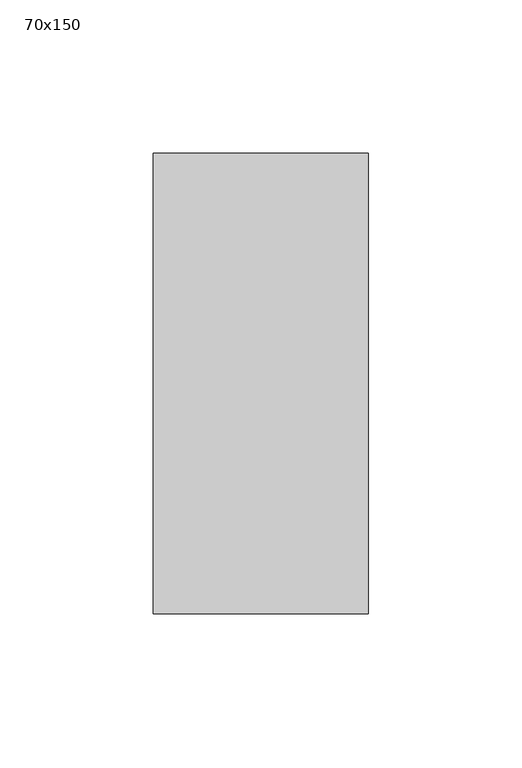
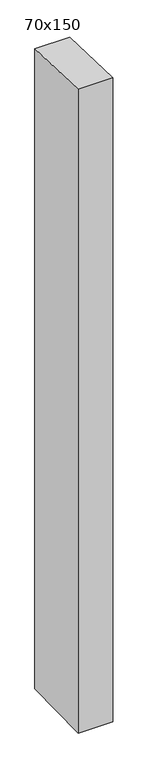
"""IFC4 building model written with IfcOpenShell, lengths in millimetres: member geometry, 70x150."""

from ifc_helpers import new_model, si_unit, frame, origin, place, context, project, spatial, polyline, outline, extrude, source, transform, mapped, element, save


def member_70x150_c8471558(model_context):
    return source(origin(), model_context, "Body", "SweptSolid", [
        extrude(outline(polyline([(-75.0, 2.3941027), (75.0, -2.3941027), (75.0, -1360.7942382), (-75.0, -1364.0833075), (-75.0, 2.3941027)])), frame((-70.0, 0.0, 0.0), z_axis=(1.0, 0.0, 0.0), x_axis=(0.0, 1.0, 0.0)), (0.0, 0.0, 1.0), 70.0),
    ])


if __name__ == "__main__":
    model = new_model("IFC4")
    model_context = context("Model", 3, world=origin())
    ifc_project = project(units=[si_unit("LENGTHUNIT", "METRE", prefix="MILLI")], contexts=[model_context])
    site = spatial("IfcSite", under=ifc_project)
    building = spatial("IfcBuilding", under=site)
    placement = place(None, origin())
    member_70x150_shape = member_70x150_c8471558(model_context)
    element("IfcMember", 1, ObjectType="70x150", at=placement, inside=building, context=model_context, shape_type="MappedRepresentation", body=[
        mapped(member_70x150_shape, transform((0.0, 0.0, 0.0), x_axis=(1.0, 0.0, 0.0), y_axis=(0.0, 1.0, 0.0), z_axis=(0.0, 0.0, 1.0))),
    ])
    save(model, "model.ifc")
